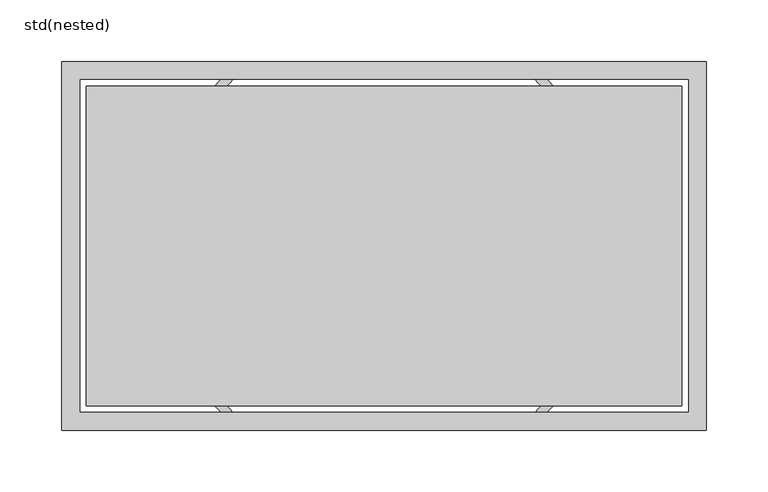
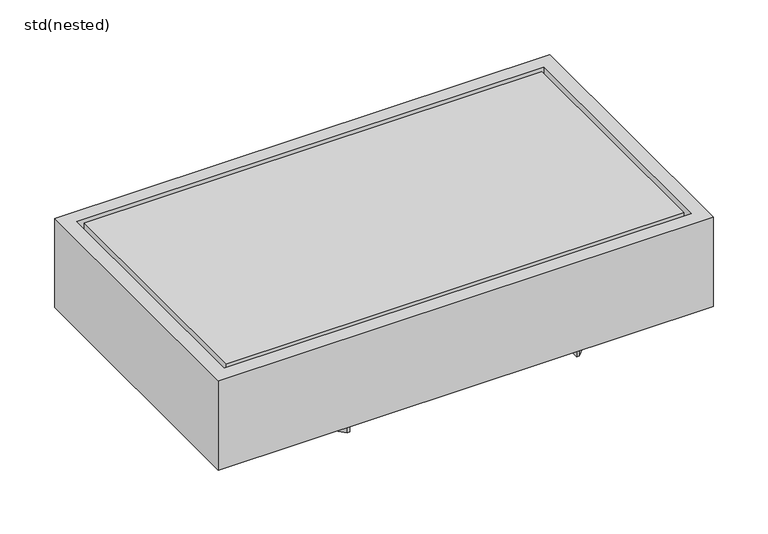
"""IFC4 building model written with IfcOpenShell, lengths in millimetres: sanitary terminal geometry, std(nested)."""

from ifc_helpers import new_model, si_unit, point, frame, origin, origin_2d, place, context, project, spatial, polyline, circle_curve, trimmed, segment, composite_curve, outline, extrude, source, transform, mapped, element, save


def std_nested_923b4247(model_context):
    return source(origin(), model_context, "Body", "SweptSolid", [
        extrude(outline(composite_curve([segment(trimmed(circle_curve(origin_2d(), 190.0), [point((-122.7802916, -145.0))], [point((-122.7802916, 145.0))], False, "CARTESIAN"), True, "CONTINUOUS"), segment(polyline([(-122.7802916, 145.0), (-120.1873537, 145.0), (-120.1873537, 138.0)]), True, "CONTINUOUS"), segment(trimmed(circle_curve(origin_2d(), 183.0), [point((-120.1873537, 138.0))], [point((-120.1873537, -138.0))], True, "CARTESIAN"), True, "CONTINUOUS"), segment(polyline([(-120.1873537, -138.0), (-120.1873537, -145.0), (-122.7802916, -145.0)]), True, "CONTINUOUS")], self_intersect=False)), frame((0.0, 0.0, -110.0), z_axis=(0.0, 0.0, 1.0), x_axis=(1.0, 0.0, 0.0)), (0.0, 0.0, 1.0), 10.0),
        extrude(outline(composite_curve([segment(trimmed(circle_curve(origin_2d(), 190.0), [point((122.7802916, 145.0))], [point((122.7802916, -145.0))], False, "CARTESIAN"), True, "CONTINUOUS"), segment(polyline([(122.7802916, -145.0), (120.1873537, -145.0), (120.1873537, -138.0)]), True, "CONTINUOUS"), segment(trimmed(circle_curve(origin_2d(), 183.0), [point((120.1873537, -138.0))], [point((120.1873537, 138.0))], True, "CARTESIAN"), True, "CONTINUOUS"), segment(polyline([(120.1873537, 138.0), (120.1873537, 145.0), (122.7802916, 145.0)]), True, "CONTINUOUS")], self_intersect=False)), frame((0.0, 0.0, -110.0), z_axis=(0.0, 0.0, 1.0), x_axis=(1.0, 0.0, 0.0)), (0.0, 0.0, 1.0), 10.0),
        extrude(outline(polyline([(262.0, 150.0), (262.0, -150.0), (-262.0, -150.0), (-262.0, 150.0), (262.0, 150.0)]), holes=[polyline([(247.0, 135.0), (-247.0, 135.0), (-247.0, -135.0), (247.0, -135.0), (247.0, 135.0)])]), frame((0.0, 0.0, -100.0), z_axis=(0.0, 0.0, 1.0), x_axis=(1.0, 0.0, 0.0)), (0.0, 0.0, 1.0), 100.0),
        extrude(outline(polyline([(242.0, 130.0), (242.0, -130.0), (-242.0, -130.0), (-242.0, 130.0), (242.0, 130.0)])), frame((0.0, 0.0, -100.0), z_axis=(0.0, 0.0, 1.0), x_axis=(1.0, 0.0, 0.0)), (0.0, 0.0, 1.0), 100.0),
    ])


if __name__ == "__main__":
    model = new_model("IFC4")
    model_context = context("Model", 3, world=origin())
    ifc_project = project(units=[si_unit("LENGTHUNIT", "METRE", prefix="MILLI")], contexts=[model_context])
    site = spatial("IfcSite", under=ifc_project)
    building = spatial("IfcBuilding", under=site)
    placement = place(None, origin())
    std_nested_shape = std_nested_923b4247(model_context)
    element("IfcSanitaryTerminal", 1, ObjectType="std(nested)", at=placement, inside=building, context=model_context, shape_type="MappedRepresentation", body=[
        mapped(std_nested_shape, transform((0.0, 0.0, 0.0), x_axis=(1.0, 0.0, 0.0), y_axis=(0.0, 1.0, 0.0), z_axis=(0.0, 0.0, 1.0))),
    ])
    save(model, "model.ifc")
